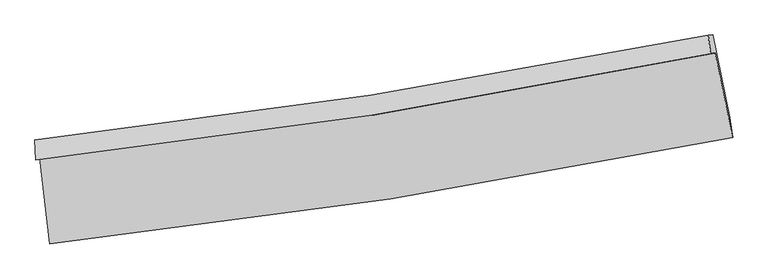
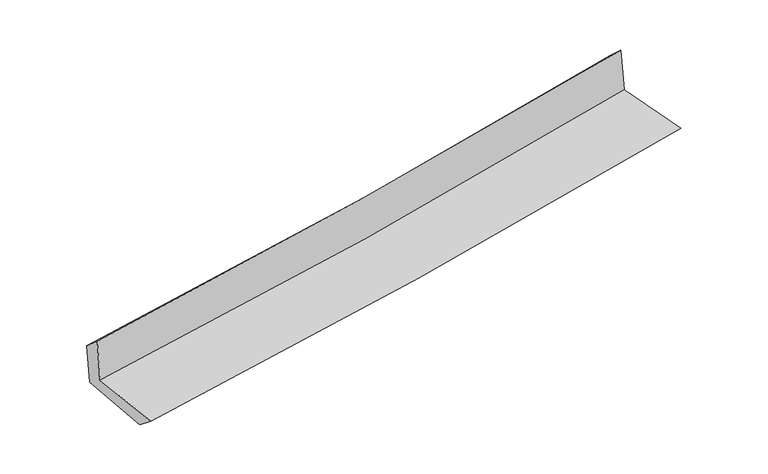
"""IFC4 building model written with IfcOpenShell, lengths in millimetres: proxy geometry."""

from ifc_helpers import new_model, si_unit, frame, origin, place, context, project, spatial, source, transform, mapped, element, save
from ifc_brep_helpers import plane_surface, spline_curve, spline_surface, advanced_brep


def generic_models_cfac2de9(model_context):
    return source(origin(), model_context, "Body", "AdvancedBrep", [
        advanced_brep(
        [(-2627.6120513, -1888.1691367, 1668.3284947), (-2552.0019042, -2549.0841427, 1650.0484203), (2715.0863866, -1728.6699674, 2108.688728), (2580.0755302, -1077.464411, 2130.2709259), (-2660.5977804, -1902.760748, 2059.4515766), (2545.0199858, -1081.3631239, 2520.1488988), (-2666.043397, -1748.4812919, 1925.8367218), (2528.0850309, -940.4198156, 2391.213451), (-2634.607046, -1744.3295039, 1565.4229281), (2560.346269, -936.1378806, 2030.8713095), (-2558.1383644, -2392.0507584, 1520.7553242), (2694.5366434, -1575.2612328, 1991.3716626)],
        [
            (0, 1),
            (1, 2, spline_curve(3, [(-2552.0019042, -2549.0841427, 1650.0484203), (-1673.134989894, -2454.345023947, 1735.594353726), (-796.802241179, -2339.020790819, 1816.43195834), (958.941327914, -2065.935017477, 1969.40026163), (1838.304676067, -1907.787858634, 2041.442759544), (2715.0863866, -1728.6699674, 2108.688728)], [4, 2, 4], [0.0, 8.690465644336914, 17.46195228648017])),
            (2, 3),
            (3, 0, spline_curve(3, [(2580.0755302, -1077.464411, 2130.2709259), (1714.58416033, -1257.847122539, 2059.586260718), (845.835890698, -1415.807110402, 1985.5546556), (-890.119859255, -1685.629701201, 1831.51230022), (-1757.26744966, -1797.904621675, 1751.563095081), (-2627.6120513, -1888.1691367, 1668.3284947)], [4, 2, 4], [0.0, 8.771486642143255, 17.46195228648017])),
            (4, 0),
            (3, 5),
            (5, 4, spline_curve(3, [(2545.0199858, -1081.3631239, 2520.1488988), (1679.178222482, -1260.429009054, 2453.917590321), (810.429657728, -1418.633002029, 2382.207055927), (-924.829715575, -1692.048593159, 2228.540527908), (-1791.287073019, -1807.643808307, 2146.685287939), (-2660.5977804, -1902.760748, 2059.4515766)], [4, 2, 4], [0.0, 8.72193011775892, 17.363296984410233])),
            (6, 4),
            (5, 7),
            (7, 6, spline_curve(3, [(2528.0850309, -940.4198156, 2391.213451), (1664.671757045, -1113.254608662, 2311.303304027), (798.098153547, -1267.235828768, 2232.391507014), (-933.3361024, -1536.242966821, 2077.28428882), (-1798.138641596, -1651.61557257, 2001.07050932), (-2666.043397, -1748.4812919, 1925.8367218)], [4, 2, 4], [0.0, 8.710270669083913, 17.34008578376023])),
            (8, 6),
            (7, 9),
            (9, 8, spline_curve(3, [(2560.346269, -936.1378806, 2030.8713095), (1696.795170604, -1109.000985571, 1950.858262895), (830.083594431, -1263.007242288, 1871.889228037), (-901.625626883, -1532.057702493, 1716.758965321), (-1766.565155494, -1647.448653888, 1640.578539569), (-2634.607046, -1744.3295039, 1565.4229281)], [4, 2, 4], [0.0, 8.699991116013216, 17.31962162841575])),
            (10, 8),
            (9, 11),
            (11, 10, spline_curve(3, [(2694.5366434, -1575.2612328, 1991.3716626), (1821.344243929, -1753.587293026, 1910.198996243), (944.979502949, -1911.035509507, 1830.21817303), (-805.970500484, -2182.914774617, 1673.367976578), (-1680.497428751, -2297.729733143, 1596.476686725), (-2558.1383644, -2392.0507584, 1520.7553242)], [4, 2, 4], [0.0, 8.749231564190724, 17.417647697623835])),
            (1, 10),
            (11, 2),
        ],
        [
            spline_surface(3, 3, [[(-2627.6120513, -1888.1691367, 1668.3284947), (-1757.267449796, -1797.904621542, 1751.563095023), (-890.119859123, -1685.62970107, 1831.512300266), (845.835890564, -1415.807110535, 1985.554655554), (1714.584160387, -1257.847122447, 2059.586260683), (2580.0755302, -1077.464411, 2130.2709259)], [(-2602.408668934, -2108.474138689, 1662.235136555), (-1729.223296504, -2016.718088969, 1746.240181281), (-859.013986472, -1903.426731027, 1826.485519662), (883.537703032, -1632.516412836, 1980.169857546), (1755.824332311, -1474.494034493, 2053.538426921), (2625.079149013, -1294.532929816, 2123.076859909)], [(-2577.205286566, -2328.779140711, 1656.141778445), (-1701.179143211, -2235.531556429, 1740.917267575), (-827.908113853, -2121.223760941, 1821.458739051), (921.239515469, -1849.225715095, 1974.78505953), (1797.064504197, -1691.140946492, 2047.490593233), (2670.082767787, -1511.601448584, 2115.882793991)], [(-2552.0019042, -2549.0841427, 1650.0484203), (-1673.13498992, -2454.345023856, 1735.594353833), (-796.802241202, -2339.020790899, 1816.431958447), (958.941327937, -2065.935017396, 1969.400261522), (1838.304676122, -1907.787858539, 2041.442759471), (2715.0863866, -1728.6699674, 2108.688728)]], [4, 4], [4, 2, 4], [0.0, 2.165569261528003], [0.0, 8.690465644336914, 17.46195228648017]),
            spline_surface(3, 3, [[(-2660.5977804, -1902.760748, 2059.4515766), (-1791.287073019, -1807.643808383, 2146.685287841), (-924.829715667, -1692.048593188, 2228.540527795), (810.42965782, -1418.633001999, 2382.207056041), (1679.178222558, -1260.429009168, 2453.91759019), (2545.0199858, -1081.3631239, 2520.1488988)], [(-2649.602537387, -1897.896877563, 1929.077215959), (-1779.947198631, -1804.397412766, 2014.977890228), (-913.259763499, -1689.908962451, 2096.1977853), (822.231735388, -1417.691038147, 2249.989589227), (1690.980201828, -1259.568380258, 2322.473813712), (2556.705167261, -1080.06355293, 2390.189574525)], [(-2638.607294313, -1893.033007137, 1798.702855341), (-1768.607324184, -1801.151017159, 1883.270492636), (-901.68981129, -1687.769331807, 1963.855042761), (834.033812996, -1416.749074388, 2117.772122368), (1702.782181116, -1258.707751357, 2191.030037161), (2568.390348739, -1078.76398197, 2260.230250175)], [(-2627.6120513, -1888.1691367, 1668.3284947), (-1757.267449796, -1797.904621542, 1751.563095023), (-890.119859123, -1685.62970107, 1831.512300266), (845.835890564, -1415.807110535, 1985.554655554), (1714.584160387, -1257.847122447, 2059.586260683), (2580.0755302, -1077.464411, 2130.2709259)]], [4, 4], [4, 2, 4], [0.0, 1.3071223848682272], [0.0, 8.641366866651314, 17.363296984410233]),
            spline_surface(3, 3, [[(-2666.043397, -1748.4812919, 1925.8367218), (-1798.13864152, -1651.615572507, 2001.070509343), (-933.336102442, -1536.242966964, 2077.284288733), (798.09815359, -1267.235828624, 2232.391507102), (1664.671757176, -1113.254608684, 2311.303304053), (2528.0850309, -940.4198156, 2391.213451)], [(-2664.228191469, -1799.907777277, 1970.375006753), (-1795.854785355, -1703.624984476, 2049.608768862), (-930.500640174, -1588.178175707, 2127.703035074), (802.20865501, -1317.701553084, 2282.330023403), (1669.507245637, -1162.31274216, 2358.841399404), (2533.730015867, -987.400918348, 2434.191933572)], [(-2662.412985931, -1851.334262623, 2014.913291647), (-1793.570929184, -1755.634396415, 2098.147028322), (-927.665177935, -1640.113384445, 2178.121781453), (806.3191564, -1368.167277539, 2332.26853974), (1674.342734097, -1211.370875692, 2406.379494839), (2539.375000833, -1034.382021152, 2477.170416228)], [(-2660.5977804, -1902.760748, 2059.4515766), (-1791.287073019, -1807.643808383, 2146.685287841), (-924.829715667, -1692.048593188, 2228.540527795), (810.42965782, -1418.633001999, 2382.207056041), (1679.178222558, -1260.429009168, 2453.91759019), (2545.0199858, -1081.3631239, 2520.1488988)]], [4, 4], [4, 2, 4], [0.0, 0.7063710790495324], [0.0, 8.629815114676317, 17.34008578376023]),
            spline_surface(3, 3, [[(-2634.607046, -1744.3295039, 1565.4229281), (-1766.565155608, -1647.44865376, 1640.578539529), (-901.625626791, -1532.057702625, 1716.758965303), (830.083594338, -1263.007242154, 1871.889228054), (1696.795170528, -1109.000985516, 1950.858262753), (2560.346269, -936.1378806, 2030.8713095)], [(-2645.08582967, -1745.713433214, 1685.560859328), (-1777.089650916, -1648.837626656, 1760.742529461), (-912.195785358, -1533.452790739, 1836.934073133), (819.421780739, -1264.416770978, 1992.056654424), (1686.087366063, -1110.418859907, 2071.00660988), (2549.592522952, -937.565192268, 2150.985356694)], [(-2655.56461333, -1747.097362586, 1805.698790572), (-1787.614146212, -1650.226599611, 1880.906519411), (-922.765943875, -1534.84787885, 1957.109180903), (808.75996719, -1265.8262998, 2112.224080733), (1675.379561641, -1111.836734293, 2191.154956926), (2538.838776948, -938.992503932, 2271.099403806)], [(-2666.043397, -1748.4812919, 1925.8367218), (-1798.13864152, -1651.615572507, 2001.070509343), (-933.336102442, -1536.242966964, 2077.284288733), (798.09815359, -1267.235828624, 2232.391507102), (1664.671757176, -1113.254608684, 2311.303304053), (2528.0850309, -940.4198156, 2391.213451)]], [4, 4], [4, 2, 4], [0.0, 1.187474587152597], [0.0, 8.619630512402534, 17.31962162841575]),
            spline_surface(3, 3, [[(-2558.1383644, -2392.0507584, 1520.7553242), (-1680.49742889, -2297.72973315, 1596.476686662), (-805.970500547, -2182.914774571, 1673.367976452), (944.979503014, -1911.035509553, 1830.218173156), (1821.344243925, -1753.587292892, 1910.198996171), (2694.5366434, -1575.2612328, 1991.3716626)], [(-2583.627924914, -2176.143673593, 1535.644525477), (-1709.18667111, -2080.96937338, 1611.177304261), (-837.855542613, -1965.962417261, 1687.831639404), (906.680866804, -1695.026087092, 1844.108524791), (1779.827886135, -1538.725190444, 1923.752085008), (2649.806518609, -1362.220115411, 2004.538211543)], [(-2609.117485486, -1960.236588707, 1550.533726823), (-1737.875913388, -1864.20901353, 1625.877921929), (-869.740584725, -1749.010059935, 1702.295302351), (868.382230548, -1479.016664615, 1857.99887642), (1738.311528318, -1323.863087964, 1937.305173915), (2605.076393791, -1149.178997989, 2017.704760557)], [(-2634.607046, -1744.3295039, 1565.4229281), (-1766.565155608, -1647.44865376, 1640.578539529), (-901.625626791, -1532.057702625, 1716.758965303), (830.083594338, -1263.007242154, 1871.889228054), (1696.795170528, -1109.000985516, 1950.858262753), (2560.346269, -936.1378806, 2030.8713095)]], [4, 4], [4, 2, 4], [0.0, 2.163037894068931], [0.0, 8.66841613343311, 17.417647697623835]),
            spline_surface(3, 3, [[(-2552.0019042, -2549.0841427, 1650.0484203), (-1673.13498992, -2454.345023856, 1735.594353833), (-796.802241202, -2339.020790899, 1816.431958447), (958.941327937, -2065.935017396, 1969.400261522), (1838.304676122, -1907.787858539, 2041.442759471), (2715.0863866, -1728.6699674, 2108.688728)], [(-2554.047390926, -2496.739681264, 1606.950721628), (-1675.589136236, -2402.139926951, 1689.221798138), (-799.858327656, -2286.985452131, 1768.743964423), (954.287386291, -2014.301848124, 1923.00623204), (1832.651198721, -1856.387669984, 1997.694838395), (2708.236472198, -1677.533722527, 2069.583039558)], [(-2556.092877674, -2444.395219836, 1563.853022872), (-1678.043282574, -2349.934830054, 1642.849242357), (-802.914414094, -2234.950113339, 1721.055970477), (949.63344466, -1962.668678826, 1876.612202638), (1826.997721326, -1804.987481448, 1953.946917247), (2701.386557802, -1626.397477673, 2030.477351042)], [(-2558.1383644, -2392.0507584, 1520.7553242), (-1680.49742889, -2297.72973315, 1596.476686662), (-805.970500547, -2182.914774571, 1673.367976452), (944.979503014, -1911.035509553, 1830.218173156), (1821.344243925, -1753.587292892, 1910.198996171), (2694.5366434, -1575.2612328, 1991.3716626)]], [4, 4], [4, 2, 4], [0.0, 0.6899455110355562], [0.0, 8.727684243130556, 17.536736472150096]),
            plane_surface(frame((2603.8583076, -1223.2194052, 2195.427496), z_axis=(0.9758140647323544, 0.19933623100268943, 0.0897328149573125), x_axis=(-0.08916654704132598, -0.011834801794402255, 0.995946416407637))),
            plane_surface(frame((-2616.5000906, -2037.4792636, 1731.6405776), z_axis=(-0.9899688816935678, -0.11083105357962666, -0.08762471592431419), x_axis=(-0.11361796383039893, 0.9931447051069865, 0.02746912836241708))),
        ],
        [
            (0, [[1, 2, 3, 4]]),
            (1, [[5, -4, 6, 7]]),
            (2, [[8, -7, 9, 10]]),
            (3, [[11, -10, 12, 13]]),
            (4, [[14, -13, 15, 16]]),
            (5, [[17, -16, 18, -2]]),
            (6, [[-12, -9, -6, -3, -18, -15]]),
            (7, [[-1, -5, -8, -11, -14, -17]]),
        ],
    ),
    ])


if __name__ == "__main__":
    model = new_model("IFC4")
    model_context = context("Model", 3, world=origin())
    ifc_project = project(units=[si_unit("LENGTHUNIT", "METRE", prefix="MILLI")], contexts=[model_context])
    site = spatial("IfcSite", under=ifc_project)
    building = spatial("IfcBuilding", under=site)
    placement = place(None, origin())
    generic_models_shape = generic_models_cfac2de9(model_context)
    element("IfcBuildingElementProxy", 1, Name="Generic Models", at=placement, inside=building, context=model_context, shape_type="MappedRepresentation", body=[
        mapped(generic_models_shape, transform((0.0, 0.0, 0.0), x_axis=(1.0, 0.0, 0.0), y_axis=(0.0, 1.0, 0.0), z_axis=(0.0, 0.0, 1.0))),
    ])
    save(model, "model.ifc")
